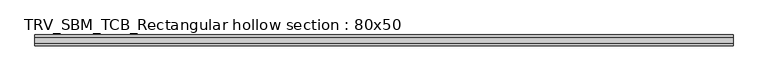
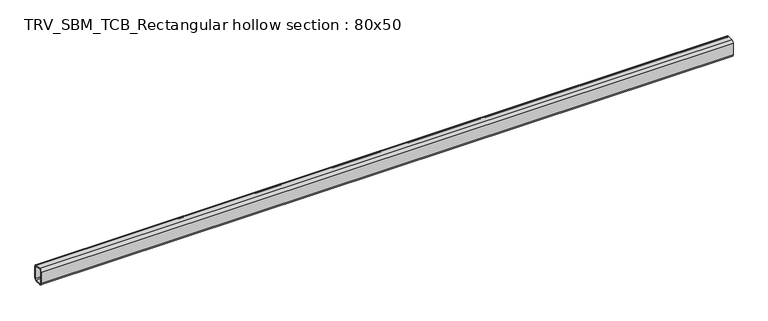
"""IFC4 building model written with IfcOpenShell, lengths in millimetres: beam geometry, TRV_SBM_TCB_Rectangular hollow section : 80x50."""

from ifc_helpers import new_model, si_unit, point, frame, frame_2d, origin, place, context, project, spatial, polyline, circle_curve, trimmed, segment, composite_curve, outline, extrude, source, transform, mapped, element, save


def trv_sbm_tcb_rectangular_hollow_section_80x50_4fa5a0c1(model_context):
    return source(origin(), model_context, "Body", "SweptSolid", [
        extrude(outline(composite_curve([segment(polyline([(25.0, 28.0), (25.0, -28.0)]), True, "CONTINUOUS"), segment(trimmed(circle_curve(frame_2d((13.0, -28.0)), 12.0), [point((25.0, -28.0))], [point((13.0, -40.0))], False, "CARTESIAN"), True, "CONTINUOUS"), segment(polyline([(13.0, -40.0), (-13.0, -40.0)]), True, "CONTINUOUS"), segment(trimmed(circle_curve(frame_2d((-13.0, -28.0)), 12.0), [point((-13.0, -40.0))], [point((-25.0, -28.0))], False, "CARTESIAN"), True, "CONTINUOUS"), segment(polyline([(-25.0, -28.0), (-25.0, 28.0)]), True, "CONTINUOUS"), segment(trimmed(circle_curve(frame_2d((-13.0, 28.0)), 12.0), [point((-25.0, 28.0))], [point((-13.0, 40.0))], False, "CARTESIAN"), True, "CONTINUOUS"), segment(polyline([(-13.0, 40.0), (13.0, 40.0)]), True, "CONTINUOUS"), segment(trimmed(circle_curve(frame_2d((13.0, 28.0)), 12.0), [point((13.0, 40.0))], [point((25.0, 28.0))], False, "CARTESIAN"), True, "CONTINUOUS")], self_intersect=False), holes=[composite_curve([segment(trimmed(circle_curve(frame_2d((-13.0, 28.0)), 6.0), [point((-13.0, 34.0))], [point((-19.0, 28.0))], True, "CARTESIAN"), True, "CONTINUOUS"), segment(polyline([(-19.0, 28.0), (-19.0, -28.0)]), True, "CONTINUOUS"), segment(trimmed(circle_curve(frame_2d((-13.0, -28.0)), 6.0), [point((-19.0, -28.0))], [point((-13.0, -34.0))], True, "CARTESIAN"), True, "CONTINUOUS"), segment(polyline([(-13.0, -34.0), (13.0, -34.0)]), True, "CONTINUOUS"), segment(trimmed(circle_curve(frame_2d((13.0, -28.0)), 6.0), [point((13.0, -34.0))], [point((19.0, -28.0))], True, "CARTESIAN"), True, "CONTINUOUS"), segment(polyline([(19.0, -28.0), (19.0, 28.0)]), True, "CONTINUOUS"), segment(trimmed(circle_curve(frame_2d((13.0, 28.0)), 6.0), [point((19.0, 28.0))], [point((13.0, 34.0))], True, "CARTESIAN"), True, "CONTINUOUS"), segment(polyline([(13.0, 34.0), (-13.0, 34.0)]), True, "CONTINUOUS")], self_intersect=False)]), frame((-1620.0, 0.0, 0.0), z_axis=(1.0, 0.0, 0.0), x_axis=(0.0, 1.0, 0.0)), (0.0, 0.0, 1.0), 3240.0),
    ])


if __name__ == "__main__":
    model = new_model("IFC4")
    model_context = context("Model", 3, world=origin())
    ifc_project = project(units=[si_unit("LENGTHUNIT", "METRE", prefix="MILLI")], contexts=[model_context])
    site = spatial("IfcSite", under=ifc_project)
    building = spatial("IfcBuilding", under=site)
    placement = place(None, origin())
    trv_sbm_tcb_rectangular_hollow_section_80x50_shape = trv_sbm_tcb_rectangular_hollow_section_80x50_4fa5a0c1(model_context)
    element("IfcBeam", 1, ObjectType="TRV_SBM_TCB_Rectangular hollow section : 80x50", at=placement, inside=building, context=model_context, shape_type="MappedRepresentation", body=[
        mapped(trv_sbm_tcb_rectangular_hollow_section_80x50_shape, transform((0.0, 0.0, 0.0), x_axis=(1.0, 0.0, 0.0), y_axis=(0.0, 1.0, 0.0), z_axis=(0.0, 0.0, 1.0))),
    ])
    save(model, "model.ifc")
